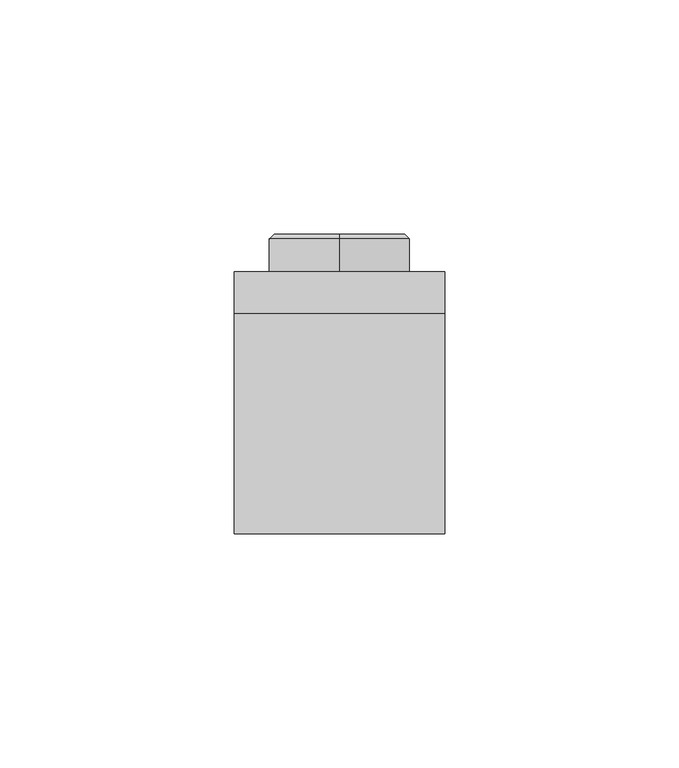
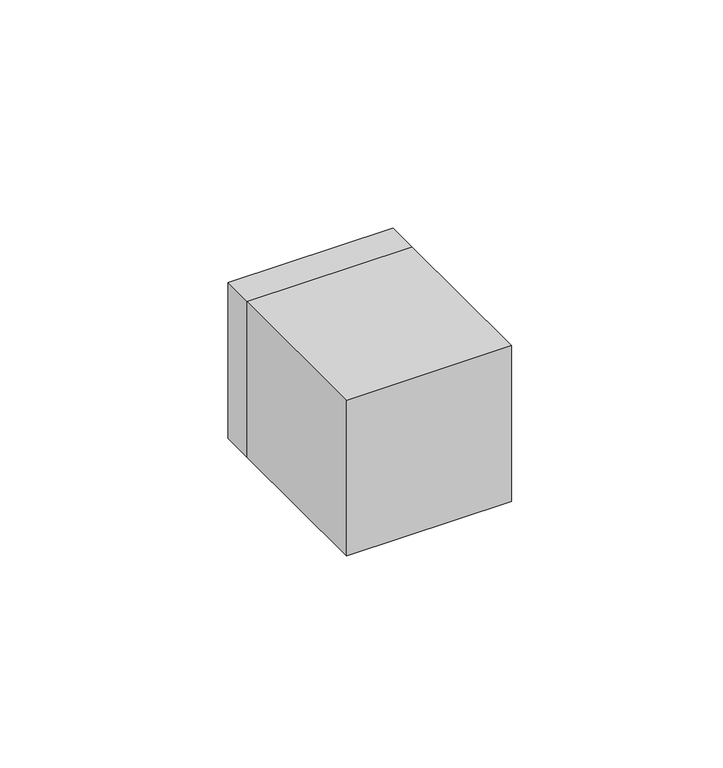
"""IFC4 building model written with IfcOpenShell, lengths in millimetres: switching device geometry."""

from ifc_helpers import new_model, si_unit, point, frame, origin, origin_2d, place, context, project, spatial, polyline, circle_curve, trimmed, segment, composite_curve, outline, extrude, source, transform, mapped, element, save
from ifc_brep_helpers import plane_surface, cylinder_surface, revolved_surface, advanced_brep


def switching_device_acd3f6cf(model_context):
    return source(origin(), model_context, "Body", "SolidModel", [
        advanced_brep(
        [(0.0, 17.0, -14.0), (0.0, 17.0, 14.0), (0.0, 17.0, 0.0), (0.0, 0.0, -15.0), (0.0, 0.0, 15.0), (0.0, 16.0, 15.0), (0.0, 16.0, -15.0), (0.0, 0.0, 0.0)],
        [
            (0, 1, circle_curve(frame((0.0, 17.0, 0.0), z_axis=(0.0, 1.0, 0.0), x_axis=(0.0, 0.0, 1.0)), 14.0)),
            (1, 2),
            (2, 0),
            (1, 0, circle_curve(frame((0.0, 17.0, 0.0), z_axis=(0.0, 1.0, 0.0), x_axis=(0.0, 0.0, 1.0)), 14.0)),
            (3, 4, circle_curve(frame((0.0, 0.0, 0.0), z_axis=(0.0, 1.0, 0.0), x_axis=(0.0, 0.0, 1.0)), 15.0)),
            (4, 5),
            (5, 6, circle_curve(frame((0.0, 16.0, 0.0), z_axis=(0.0, -1.0, 0.0), x_axis=(0.0, 0.0, 1.0)), 15.0)),
            (6, 3),
            (4, 3, circle_curve(frame((0.0, 0.0, 0.0), z_axis=(0.0, 1.0, 0.0), x_axis=(0.0, 0.0, 1.0)), 15.0)),
            (6, 5, circle_curve(frame((0.0, 16.0, 0.0), z_axis=(0.0, -1.0, 0.0), x_axis=(0.0, 0.0, 1.0)), 15.0)),
            (7, 4),
            (3, 7),
            (5, 1),
            (0, 6),
        ],
        [
            plane_surface(frame((0.0, 17.0, 0.0), z_axis=(0.0, 1.0, 0.0), x_axis=(0.0, 0.0, 1.0))),
            cylinder_surface(frame((0.0, -2.1769912, 0.0), z_axis=(0.0, -1.0, 0.0), x_axis=(0.0, 0.0, 1.0)), 15.0),
            plane_surface(frame((0.0, 0.0, 0.0), z_axis=(0.0, -1.0, 0.0), x_axis=(0.0, 0.0, 1.0))),
            revolved_surface(polyline([(0.0, 17.0, 14.0), (0.0, 16.0, 15.0)]), (0.0, -2.1769912, 0.0), (0.0, -1.0, 0.0)),
        ],
        [
            (0, [[1, 2, 3]]),
            (0, [[4, -3, -2]]),
            (1, [[5, 6, 7, 8]]),
            (1, [[9, -8, 10, -6]]),
            (2, [[11, -5, 12]]),
            (2, [[-12, -9, -11]]),
            (3, [[-7, 13, -1, 14]]),
            (3, [[-10, -14, -4, -13]]),
        ],
    ),
        extrude(outline(polyline([(22.5, -47.0), (-22.5, -47.0), (-22.5, 0.0), (22.5, 0.0), (22.5, -47.0)])), frame((0.0, 0.0, -22.5), z_axis=(0.0, 0.0, 1.0), x_axis=(1.0, 0.0, 0.0)), (0.0, 0.0, 1.0), 45.0),
        extrude(outline(polyline([(22.5, 22.5), (22.5, -22.5), (-22.5, -22.5), (-22.5, 22.5), (22.5, 22.5)]), holes=[composite_curve([segment(trimmed(circle_curve(origin_2d(), 15.5), [point((15.5, 0.0))], [point((-15.5, 0.0))], True, "CARTESIAN"), True, "CONTINUOUS"), segment(trimmed(circle_curve(origin_2d(), 15.5), [point((-15.5, 0.0))], [point((15.5, 0.0))], True, "CARTESIAN"), True, "CONTINUOUS")], self_intersect=False)]), frame((0.0, 0.0, 0.0), z_axis=(0.0, 1.0, 0.0), x_axis=(0.0, 0.0, 1.0)), (0.0, 0.0, 1.0), 9.0),
    ])


if __name__ == "__main__":
    model = new_model("IFC4")
    model_context = context("Model", 3, world=origin())
    ifc_project = project(units=[si_unit("LENGTHUNIT", "METRE", prefix="MILLI")], contexts=[model_context])
    site = spatial("IfcSite", under=ifc_project)
    building = spatial("IfcBuilding", under=site)
    placement = place(None, origin())
    switching_device_shape = switching_device_acd3f6cf(model_context)
    element("IfcSwitchingDevice", 1, at=placement, inside=building, context=model_context, shape_type="MappedRepresentation", body=[
        mapped(switching_device_shape, transform((0.0, 0.0, 0.0), x_axis=(1.0, 0.0, 0.0), y_axis=(0.0, 1.0, 0.0), z_axis=(0.0, 0.0, 1.0))),
    ])
    save(model, "model.ifc")
